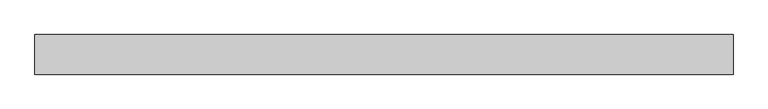
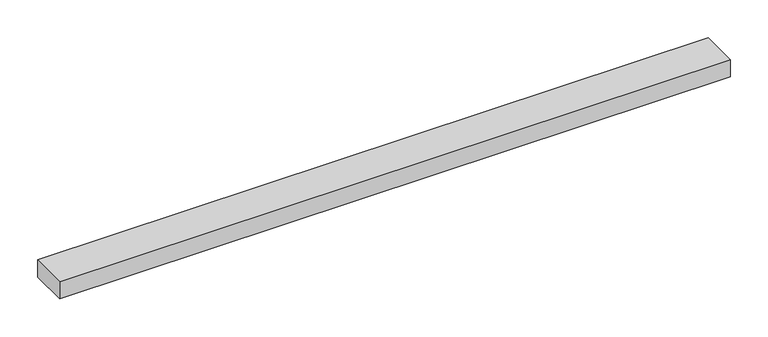
"""IFC4 building model written with IfcOpenShell, lengths in millimetres: proxy geometry."""

from ifc_helpers import new_model, si_unit, frame, origin, place, context, project, spatial, polyline, outline, extrude, source, transform, mapped, element, save


def specialty_equipment_e638274c(model_context):
    return source(origin(), model_context, "Body", "SweptSolid", [
        extrude(outline(polyline([(-514.2883889, -29.2199219), (-514.2883889, 29.2199219), (514.2883889, 29.2199219), (514.2883889, -29.2199219), (-514.2883889, -29.2199219)])), frame((0.0, 0.0, -13.9898438), z_axis=(0.0, 0.0, 1.0), x_axis=(1.0, 0.0, 0.0)), (0.0, 0.0, 1.0), 27.9796875),
    ])


if __name__ == "__main__":
    model = new_model("IFC4")
    model_context = context("Model", 3, world=origin())
    ifc_project = project(units=[si_unit("LENGTHUNIT", "METRE", prefix="MILLI")], contexts=[model_context])
    site = spatial("IfcSite", under=ifc_project)
    building = spatial("IfcBuilding", under=site)
    placement = place(None, origin())
    specialty_equipment_shape = specialty_equipment_e638274c(model_context)
    element("IfcBuildingElementProxy", 1, Name="Specialty Equipment", at=placement, inside=building, context=model_context, shape_type="MappedRepresentation", body=[
        mapped(specialty_equipment_shape, transform((0.0, 0.0, 0.0), x_axis=(1.0, 0.0, 0.0), y_axis=(0.0, 1.0, 0.0), z_axis=(0.0, 0.0, 1.0))),
    ])
    save(model, "model.ifc")
